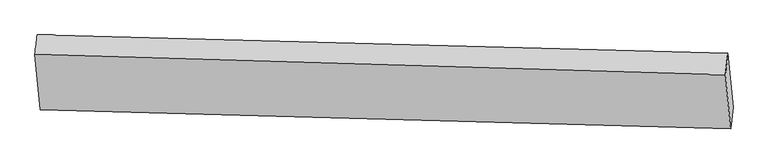
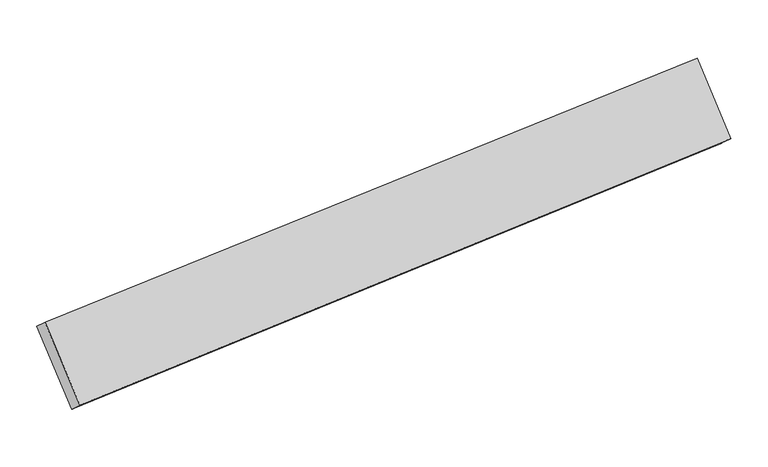
"""IFC4 building model written with IfcOpenShell, lengths in millimetres: proxy geometry."""

from ifc_helpers import new_model, si_unit, frame, origin, place, context, project, spatial, source, transform, mapped, element, save
from ifc_brep_helpers import plane_surface, spline_surface, advanced_brep


def generic_models_0cd6eaa1(model_context):
    return source(origin(), model_context, "Body", "AdvancedBrep", [
        advanced_brep(
        [(-386.2284993, -1025.4386257, 2012.4744356), (-368.1672956, -869.5600513, 1875.0610263), (-5375.1771634, -737.1714048, 1371.8913427), (-5391.3380321, -875.6423457, 1493.9491369), (-330.3406106, -1260.3169471, 1436.7673205), (-5336.169912, -1140.1237769, 919.9185424), (-348.4018142, -1416.1955215, 1574.1807298), (-5352.3307808, -1278.5947178, 1041.9763366)],
        [
            (0, 1),
            (1, 2),
            (2, 3),
            (3, 0),
            (1, 4),
            (4, 5),
            (5, 2),
            (4, 6),
            (6, 7),
            (7, 5),
            (6, 0),
            (3, 7),
        ],
        [
            spline_surface(1, 1, [[(-386.2284993, -1025.4386257, 2012.4744356), (-5391.3380321, -875.6423457, 1493.9491369)], [(-368.1672956, -869.5600513, 1875.0610263), (-5375.1771634, -737.1714048, 1371.8913427)]], [2, 2], [2, 2], [0.0, 1.0], [0.0, 1.0]),
            plane_surface(frame((-349.2539531, -1064.9384992, 1655.9141734), z_axis=(0.08597101712573314, 0.7473359501009965, -0.6588611097196493), x_axis=(0.06428656358389385, -0.6640925052775858, -0.7448814551166606))),
            spline_surface(1, 1, [[(-330.3406106, -1260.3169471, 1436.7673205), (-5336.169912, -1140.1237769, 919.9185424)], [(-348.4018142, -1416.1955215, 1574.1807298), (-5352.3307808, -1278.5947178, 1041.9763366)]], [2, 2], [2, 2], [0.0, 1.0], [0.0, 1.0]),
            plane_surface(frame((-367.3151568, -1220.8170736, 1793.3275827), z_axis=(-0.09056988581874088, -0.7472276381295109, 0.6583676424294961), x_axis=(-0.06428656358397956, 0.6640925052775885, 0.7448814551166508))),
            plane_surface(frame((-5363.7539721, -1007.8830613, 1206.9338396), z_axis=(-0.9941128054542114, 0.02261961443670063, -0.10596264943220418), x_axis=(0.08721793264306965, 0.7473081676770879, -0.6587287262208796))),
            plane_surface(frame((-358.2845549, -1142.8777864, 1724.6208781), z_axis=(0.9941676888087709, -0.022147655022629185, 0.10554661484683231), x_axis=(0.06428656358398006, -0.6640925052775887, -0.7448814551166507))),
        ],
        [
            (0, [[1, 2, 3, 4]]),
            (1, [[5, 6, 7, -2]]),
            (2, [[8, 9, 10, -6]]),
            (3, [[11, -4, 12, -9]]),
            (4, [[-3, -7, -10, -12]]),
            (5, [[-11, -8, -5, -1]]),
        ],
    ),
    ])


if __name__ == "__main__":
    model = new_model("IFC4")
    model_context = context("Model", 3, world=origin())
    ifc_project = project(units=[si_unit("LENGTHUNIT", "METRE", prefix="MILLI")], contexts=[model_context])
    site = spatial("IfcSite", under=ifc_project)
    building = spatial("IfcBuilding", under=site)
    placement = place(None, origin())
    generic_models_shape = generic_models_0cd6eaa1(model_context)
    element("IfcBuildingElementProxy", 1, Name="Generic Models", at=placement, inside=building, context=model_context, shape_type="MappedRepresentation", body=[
        mapped(generic_models_shape, transform((0.0, 0.0, 0.0), x_axis=(1.0, 0.0, 0.0), y_axis=(0.0, 1.0, 0.0), z_axis=(0.0, 0.0, 1.0))),
    ])
    save(model, "model.ifc")
